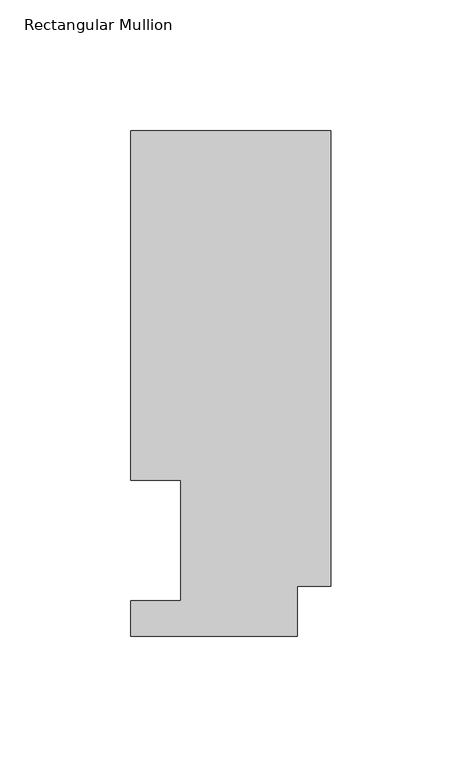
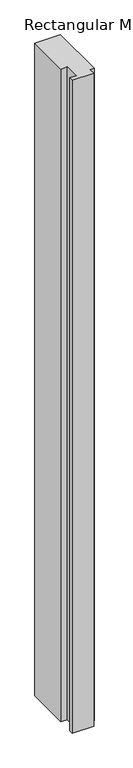
"""IFC4 building model written with IfcOpenShell, lengths in millimetres: member geometry, Rectangular Mullion."""

import ifcopenshell
import ifcopenshell.guid

model = None  # the IFC model being written
_history = None  # IfcOwnerHistory: only IFC2X3 demands one
_inside = {}  # id of a spatial element -> (the spatial element, [elements in it])
_under = {}  # id of a project, library or spatial element -> (it, [spatial elements below it])
_declared = {}  # id of a project -> (the project, [libraries it declares])
_typed = {}  # id of a type object -> (the type object, [elements of that type])
_made_of = {}  # id of a material, layer set ... -> (it, [elements and type objects made of it])


def new_model(schema):
    """Start an empty IFC model of exactly this schema.

    Asked for "IFC4X3", IfcOpenShell would pick the latest addendum, in which some entities
    have other attributes; the version numbers below select the first issue.
    IFC2X3 requires an IfcOwnerHistory on every rooted entity: one is made here for all.
    """
    global model, _history
    if schema == "IFC4X3":
        model = ifcopenshell.file(schema_version=(4, 3, 0, 0))
    else:
        model = ifcopenshell.file(schema=schema)
    _inside.clear()
    _under.clear()
    _declared.clear()
    _typed.clear()
    _made_of.clear()
    _history = None
    if model.schema == "IFC2X3":
        org = make("IfcOrganization", Name="unknown")
        user = make(
            "IfcPersonAndOrganization",
            ThePerson=make("IfcPerson", FamilyName="unknown"),
            TheOrganization=org,
        )
        app = make(
            "IfcApplication",
            ApplicationDeveloper=org,
            Version="unknown",
            ApplicationFullName="unknown",
            ApplicationIdentifier="unknown",
        )
        _history = make(
            "IfcOwnerHistory",
            OwningUser=user,
            OwningApplication=app,
            ChangeAction="ADDED",
            CreationDate=0,
        )
    return model


def make(cls, **values):
    """One entity of the class cls with the attributes given. An attribute that is None is left unset."""
    return model.create_entity(
        cls, **{name: value for name, value in values.items() if value is not None}
    )


def rooted(cls, **values):
    """An entity with a GlobalId (a new one), such as an element, a storey or a relation."""
    return make(cls, GlobalId=ifcopenshell.guid.new(), OwnerHistory=_history, **values)


def si_unit(unit_type, name, prefix=None):
    """IfcSIUnit, for example si_unit("LENGTHUNIT", "METRE", prefix="MILLI")."""
    return make("IfcSIUnit", UnitType=unit_type, Prefix=prefix, Name=name)


def assignment(units):
    """IfcUnitAssignment: the units of a project."""
    return None if units is None else make("IfcUnitAssignment", Units=units)


def point(xyz):
    """IfcCartesianPoint."""
    return None if xyz is None else make("IfcCartesianPoint", Coordinates=xyz)


def direction(xyz):
    """IfcDirection."""
    return None if xyz is None else make("IfcDirection", DirectionRatios=xyz)


def frame(location, z_axis=None, x_axis=None):
    """IfcAxis2Placement3D, a coordinate frame: its origin and axes. An axis left out is left unset."""
    return make(
        "IfcAxis2Placement3D",
        Location=point(location),
        Axis=direction(z_axis),
        RefDirection=direction(x_axis),
    )


def origin():
    """The frame at (0, 0, 0) with its axes left unset."""
    return frame((0.0, 0.0, 0.0))


def place(relative_to, where):
    """IfcLocalPlacement: puts the frame where relative to a parent placement (None: the world)."""
    return make(
        "IfcLocalPlacement", PlacementRelTo=relative_to, RelativePlacement=where
    )


def context(
    kind, dimensions, precision=None, world=None, true_north=None, identifier=None
):
    """IfcGeometricRepresentationContext, for example the 3D "Model" context."""
    return make(
        "IfcGeometricRepresentationContext",
        ContextIdentifier=identifier,
        ContextType=kind,
        CoordinateSpaceDimension=dimensions,
        Precision=precision,
        WorldCoordinateSystem=world,
        TrueNorth=true_north,
    )


def project(units=None, contexts=None):
    """IfcProject with its units and contexts."""
    return rooted(
        "IfcProject",
        Name="project",
        RepresentationContexts=contexts,
        UnitsInContext=assignment(units),
    )


def spatial(cls, under=None, at=None, **own):
    """A site, building, storey or space (cls), placed at a placement, below another one or the project."""
    s = rooted(cls, ObjectPlacement=at, **own)
    if under is not None:
        _under.setdefault(under.id(), (under, []))[1].append(s)
    return s


def polyline(points):
    """IfcPolyline through the points."""
    return make("IfcPolyline", Points=[point(p) for p in points])


def outline(outer, holes=None, kind="AREA"):
    """IfcArbitraryClosedProfileDef: a profile drawn as a closed curve; with holes, ...WithVoids."""
    if holes is None:
        return make("IfcArbitraryClosedProfileDef", ProfileType=kind, OuterCurve=outer)
    return make(
        "IfcArbitraryProfileDefWithVoids",
        ProfileType=kind,
        OuterCurve=outer,
        InnerCurves=holes,
    )


def extrude(swept, where, along, depth):
    """IfcExtrudedAreaSolid: the profile swept, set in the frame where, extruded along a direction by depth."""
    return make(
        "IfcExtrudedAreaSolid",
        SweptArea=swept,
        Position=where,
        ExtrudedDirection=direction(along),
        Depth=depth,
    )


def shape(context_of_items, identifier, shape_type, items):
    """IfcShapeRepresentation: the items that make up one representation, for example the "Body"."""
    return make(
        "IfcShapeRepresentation",
        ContextOfItems=context_of_items,
        RepresentationIdentifier=identifier,
        RepresentationType=shape_type,
        Items=items,
    )


def source(mapping_origin, context_of_items, identifier, shape_type, items):
    """IfcRepresentationMap: a shape defined once, which mapped items show again and again."""
    return make(
        "IfcRepresentationMap",
        MappingOrigin=mapping_origin,
        MappedRepresentation=shape(context_of_items, identifier, shape_type, items),
    )


def transform(
    local_origin,
    x_axis=None,
    y_axis=None,
    z_axis=None,
    scale=None,
    scale2=None,
    scale3=None,
    uniform=True,
):
    """IfcCartesianTransformationOperator3D, or its non-uniform kind. x_axis, y_axis, z_axis: its Axis1, 2, 3."""
    if uniform:
        return make(
            "IfcCartesianTransformationOperator3D",
            Axis1=direction(x_axis),
            Axis2=direction(y_axis),
            LocalOrigin=point(local_origin),
            Scale=scale,
            Axis3=direction(z_axis),
        )
    return make(
        "IfcCartesianTransformationOperator3DnonUniform",
        Axis1=direction(x_axis),
        Axis2=direction(y_axis),
        LocalOrigin=point(local_origin),
        Scale=scale,
        Axis3=direction(z_axis),
        Scale2=scale2,
        Scale3=scale3,
    )


def mapped(mapping_source, mapping_target):
    """IfcMappedItem: shows the shape of a source again, moved by a transform."""
    return make(
        "IfcMappedItem", MappingSource=mapping_source, MappingTarget=mapping_target
    )


def made_of(thing, what):
    """Note that an element or type object is made of a material, layer set ...; save() writes the relation."""
    if what is not None:
        _made_of.setdefault(what.id(), (what, []))[1].append(thing)
    return thing


def element(
    cls,
    number,
    at=None,
    inside=None,
    cuts=None,
    type_object=None,
    material=None,
    context=None,
    identifier="Body",
    shape_type=None,
    held_by="IfcProductDefinitionShape",
    body=None,
    shapes=None,
    **own,
):
    """One element of the class cls, such as IfcWall. Its Tag is "e" and its number.

    at: its placement. inside: the storey or other place that contains it. cuts: it is an
    opening in that element (IfcRelVoidsElement). A single representation is given by context,
    identifier, shape_type and body (its items); several are given by shapes. held_by: the class
    of the entity that holds the representations. save() writes the other relations.
    """
    e = rooted(cls, Tag="e%d" % number, ObjectPlacement=at, **own)
    if body is not None:
        shapes = [shape(context, identifier, shape_type, body)]
    if shapes is not None:
        e.Representation = make(held_by, Representations=shapes)
    if inside is not None:
        _inside.setdefault(inside.id(), (inside, []))[1].append(e)
    if cuts is not None:
        rooted(
            "IfcRelVoidsElement", RelatingBuildingElement=cuts, RelatedOpeningElement=e
        )
    if type_object is not None:
        _typed.setdefault(type_object.id(), (type_object, []))[1].append(e)
    return made_of(e, material)


def aggregate(whole, parts):
    """IfcRelAggregates: a whole, such as a stair, and the parts it consists of."""
    return rooted("IfcRelAggregates", RelatingObject=whole, RelatedObjects=parts)


def save(model, path):
    """Write the relations noted so far, then the file.

    IfcRelAggregates (storeys below a building ...), IfcRelContainedInSpatialStructure (elements
    in a storey), IfcRelDefinesByType, IfcRelAssociatesMaterial and IfcRelDeclares: one each for
    every whole, place, type object, material and project.
    """
    for whole, parts in _under.values():
        aggregate(whole, parts)
    for where, things in _inside.values():
        rooted(
            "IfcRelContainedInSpatialStructure",
            RelatedElements=things,
            RelatingStructure=where,
        )
    for kind, things in _typed.values():
        rooted("IfcRelDefinesByType", RelatedObjects=things, RelatingType=kind)
    for what, things in _made_of.values():
        rooted("IfcRelAssociatesMaterial", RelatedObjects=things, RelatingMaterial=what)
    for by, libraries in _declared.values():
        rooted("IfcRelDeclares", RelatingContext=by, RelatedDefinitions=libraries)
    model.write(path)


def rectangular_mullion_2907b2bb(model_context):
    return source(origin(), model_context, "Body", "SweptSolid", [
        extrude(outline(polyline([(0.0, 192.88125), (0.0, 19.04365), (-12.7, 19.04365), (-12.7, 0.04445), (-76.2, 0.04445), (-76.2, 13.50645), (-57.15, 13.50645), (-57.15, 59.53125), (-76.2, 59.53125), (-76.2, 192.88125), (0.0, 192.88125)])), frame((0.0, 0.0, -2057.4), z_axis=(0.0, 0.0, 1.0), x_axis=(1.0, 0.0, 0.0)), (0.0, 0.0, 1.0), 2057.4),
    ])


if __name__ == "__main__":
    model = new_model("IFC4")
    model_context = context("Model", 3, world=origin())
    ifc_project = project(units=[si_unit("LENGTHUNIT", "METRE", prefix="MILLI")], contexts=[model_context])
    site = spatial("IfcSite", under=ifc_project)
    building = spatial("IfcBuilding", under=site)
    placement = place(None, origin())
    rectangular_mullion_shape = rectangular_mullion_2907b2bb(model_context)
    element("IfcMember", 1, ObjectType="Rectangular Mullion", at=placement, inside=building, context=model_context, shape_type="MappedRepresentation", body=[
        mapped(rectangular_mullion_shape, transform((0.0, 0.0, 0.0), x_axis=(1.0, 0.0, 0.0), y_axis=(0.0, 1.0, 0.0), z_axis=(0.0, 0.0, 1.0))),
    ])
    save(model, "model.ifc")
